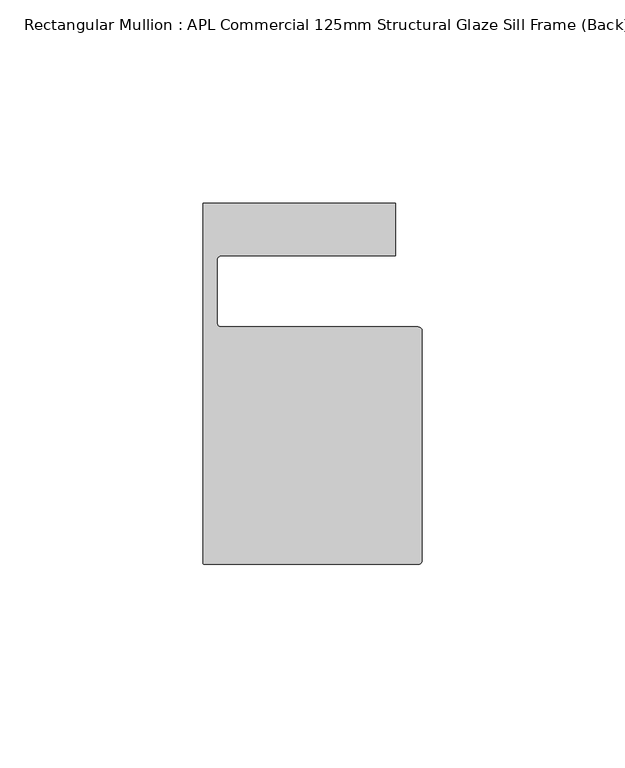
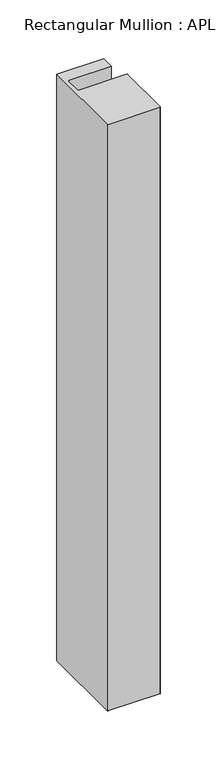
"""IFC4 building model written with IfcOpenShell, lengths in millimetres: member geometry, Rectangular Mullion : APL Commercial 125mm Structural Glaze Sill Frame (Back)."""

from ifc_helpers import new_model, si_unit, frame, origin, place, context, project, spatial, polyline, circle_curve, source, transform, mapped, element, save
from ifc_brep_helpers import plane_surface, cylinder_surface, revolved_surface, advanced_brep


def rectangular_mullion_apl_commercial_125mm_structural_glaze_7fdb6d89(model_context):
    return source(origin(), model_context, "Body", "AdvancedBrep", [
        advanced_brep(
        [(-53.5000029, -104.0, 0.0), (-1.0000025, -104.0, 0.0), (-2.5e-06, -103.0, 0.0), (0.0, -46.5010268, 0.0), (-1.0, -45.5010268, 0.0), (-49.5000004, -45.5010268, 0.0), (-50.5000004, -44.5010268, 0.0), (-50.5000029, -29.0004332, 0.0), (-49.5000029, -28.0004332, 0.0), (-6.5000029, -28.0004332, 0.0), (-6.5000029, -15.0004332, 0.0), (-54.0000029, -15.0004332, 0.0), (-54.0000029, -103.5, 0.0), (-53.5000029, -104.0, -629.5138547), (-54.0000029, -103.5, -629.5138547), (-54.0000029, -15.0004332, -629.5138547), (-6.5000029, -15.0004332, -629.5138547), (-6.5000029, -28.0004332, -629.5138547), (-49.5000029, -28.0004332, -629.5138547), (-50.5000029, -29.0004332, -629.5138547), (-50.5000029, -44.5010268, -629.5138547), (-49.5000004, -45.5010268, -629.5138547), (-1.0, -45.5010268, -629.5138547), (0.0, -46.5010268, -629.5138547), (0.0, -103.0, -629.5138547), (-1.0000025, -104.0, -629.5138547)],
        [
            (0, 1),
            (1, 2, circle_curve(frame((-1.0000025, -103.0, 0.0), z_axis=(0.0, 0.0, 1.0), x_axis=(0.9999999999996143, -8.78371761103865e-07, 0.0)), 1.0)),
            (2, 3),
            (3, 4, circle_curve(frame((-1.0, -46.5010268, 0.0), z_axis=(0.0, 0.0, 1.0), x_axis=(0.0, 1.0, 0.0)), 1.0)),
            (4, 5),
            (5, 6, circle_curve(frame((-49.5000004, -44.5010268, 0.0), z_axis=(0.0, 0.0, -1.0), x_axis=(-0.9999999999998819, -4.863123717036027e-07, 0.0)), 1.0)),
            (6, 7),
            (7, 8, circle_curve(frame((-49.5000029, -29.0004332, 0.0), z_axis=(0.0, 0.0, -1.0), x_axis=(0.0, 1.0, 0.0)), 1.0)),
            (8, 9),
            (9, 10),
            (10, 11),
            (11, 12),
            (12, 0, circle_curve(frame((-53.5000029, -103.5, 0.0), z_axis=(0.0, 0.0, 1.0), x_axis=(0.0, -1.0, 0.0)), 0.5)),
            (13, 14, circle_curve(frame((-53.5000029, -103.5, -629.5138547), z_axis=(0.0, 0.0, -1.0), x_axis=(0.0, -1.0, 0.0)), 0.5)),
            (14, 15),
            (15, 16),
            (16, 17),
            (17, 18),
            (18, 19, circle_curve(frame((-49.5000029, -29.0004332, -629.5138547), z_axis=(0.0, 0.0, 1.0), x_axis=(0.0, 1.0, 0.0)), 1.0)),
            (19, 20),
            (20, 21, circle_curve(frame((-49.5000004, -44.5010268, -629.5138547), z_axis=(0.0, 0.0, 1.0), x_axis=(-0.9999999999998819, -4.863123717036027e-07, 0.0)), 1.0)),
            (21, 22),
            (22, 23, circle_curve(frame((-1.0, -46.5010268, -629.5138547), z_axis=(0.0, 0.0, -1.0), x_axis=(0.0, 1.0, 0.0)), 1.0)),
            (23, 24),
            (24, 25, circle_curve(frame((-1.0000025, -103.0, -629.5138547), z_axis=(0.0, 0.0, -1.0), x_axis=(0.9999999999996143, -8.78371761103865e-07, 0.0)), 1.0)),
            (25, 13),
            (0, 13),
            (25, 1),
            (24, 2),
            (23, 3),
            (22, 4),
            (21, 5),
            (20, 6),
            (19, 7),
            (18, 8),
            (17, 9),
            (16, 10),
            (15, 11),
            (14, 12),
        ],
        [
            plane_surface(frame((0.0, -116.986179, 0.0), z_axis=(0.0, 0.0, 1.0), x_axis=(-1.0, 0.0, 0.0))),
            plane_surface(frame((0.0, -116.986179, -629.5138547), z_axis=(0.0, 0.0, -1.0), x_axis=(-1.0, 0.0, 0.0))),
            plane_surface(frame((-53.5000029, -104.0, 0.0), z_axis=(0.0, -1.0, 0.0), x_axis=(0.0, 0.0, -1.0))),
            cylinder_surface(frame((-1.0000025, -103.0, 0.0), z_axis=(0.0, 0.0, 1.0000000000000002), x_axis=(0.9999999999996143, -8.78371761103865e-07, 0.0)), 1.0),
            plane_surface(frame((0.0, -103.0, 0.0), z_axis=(1.0, 0.0, 0.0), x_axis=(0.0, 0.0, -1.0))),
            cylinder_surface(frame((-1.0, -46.5010268, 0.0), z_axis=(0.0, 0.0, 1.0), x_axis=(0.0, 1.0, 0.0)), 1.0),
            plane_surface(frame((-1.0, -45.5010268, 0.0), z_axis=(0.0, 1.0, 0.0), x_axis=(0.0, 0.0, -1.0))),
            revolved_surface(polyline([(-50.50000039999988, -44.50102728631237, -629.5138547000003), (-50.50000039999988, -44.50102728631237, 0.0)]), (-49.5000004, -44.5010268, 0.0), (0.0, 0.0, -1.0000000000000002)),
            plane_surface(frame((-50.5000029, -44.5010268, 0.0), z_axis=(1.0, 0.0, 0.0), x_axis=(0.0, 0.0, -1.0))),
            revolved_surface(polyline([(-49.5000029, -28.0004332, -629.5138547), (-49.5000029, -28.0004332, 0.0)]), (-49.5000029, -29.0004332, 0.0), (0.0, 0.0, -1.0)),
            plane_surface(frame((-49.5000029, -28.0004332, 0.0), z_axis=(0.0, -1.0, 0.0), x_axis=(0.0, 0.0, -1.0))),
            plane_surface(frame((-6.5000029, -28.0004332, 0.0), z_axis=(1.0, 0.0, 0.0), x_axis=(0.0, 0.0, -1.0))),
            plane_surface(frame((-6.5000029, -15.0004332, 0.0), z_axis=(0.0, 1.0, 0.0), x_axis=(0.0, 0.0, -1.0))),
            plane_surface(frame((-54.0000029, -15.0004332, 0.0), z_axis=(-1.0, 0.0, 0.0), x_axis=(0.0, 0.0, -1.0))),
            cylinder_surface(frame((-53.5000029, -103.5, 0.0), z_axis=(0.0, 0.0, 1.0), x_axis=(0.0, -1.0, 0.0)), 0.5),
        ],
        [
            (0, [[1, 2, 3, 4, 5, 6, 7, 8, 9, 10, 11, 12, 13]]),
            (1, [[14, 15, 16, 17, 18, 19, 20, 21, 22, 23, 24, 25, 26]]),
            (2, [[-1, 27, -26, 28]]),
            (3, [[-2, -28, -25, 29]]),
            (4, [[-3, -29, -24, 30]]),
            (5, [[-4, -30, -23, 31]]),
            (6, [[-5, -31, -22, 32]]),
            (7, [[-6, -32, -21, 33]]),
            (8, [[-7, -33, -20, 34]]),
            (9, [[-8, -34, -19, 35]]),
            (10, [[-9, -35, -18, 36]]),
            (11, [[-10, -36, -17, 37]]),
            (12, [[-11, -37, -16, 38]]),
            (13, [[-12, -38, -15, 39]]),
            (14, [[-13, -39, -14, -27]]),
        ],
    ),
    ])


if __name__ == "__main__":
    model = new_model("IFC4")
    model_context = context("Model", 3, world=origin())
    ifc_project = project(units=[si_unit("LENGTHUNIT", "METRE", prefix="MILLI")], contexts=[model_context])
    site = spatial("IfcSite", under=ifc_project)
    building = spatial("IfcBuilding", under=site)
    placement = place(None, origin())
    rectangular_mullion_apl_commercial_125mm_structural_glaze_shape = rectangular_mullion_apl_commercial_125mm_structural_glaze_7fdb6d89(model_context)
    element("IfcMember", 1, ObjectType="Rectangular Mullion : APL Commercial 125mm Structural Glaze Sill Frame (Back)", at=placement, inside=building, context=model_context, shape_type="MappedRepresentation", body=[
        mapped(rectangular_mullion_apl_commercial_125mm_structural_glaze_shape, transform((0.0, 0.0, 0.0), x_axis=(1.0, 0.0, 0.0), y_axis=(0.0, 1.0, 0.0), z_axis=(0.0, 0.0, 1.0))),
    ])
    save(model, "model.ifc")
